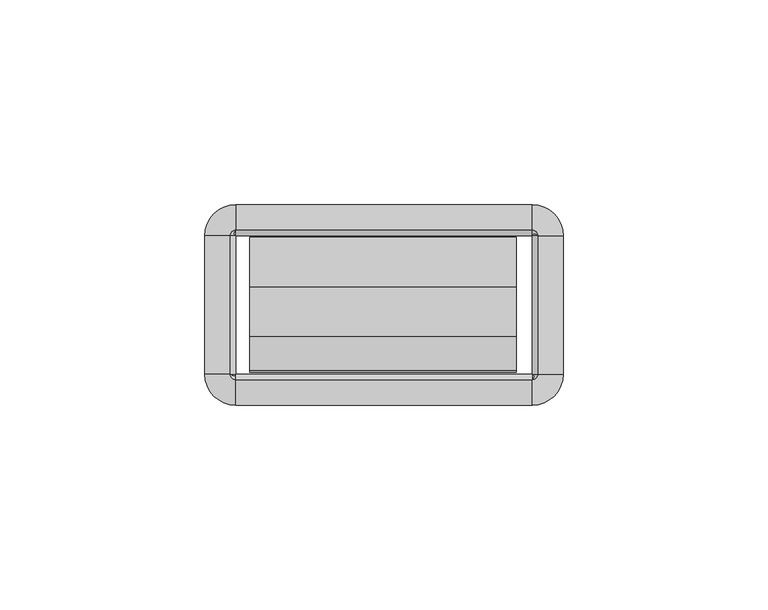
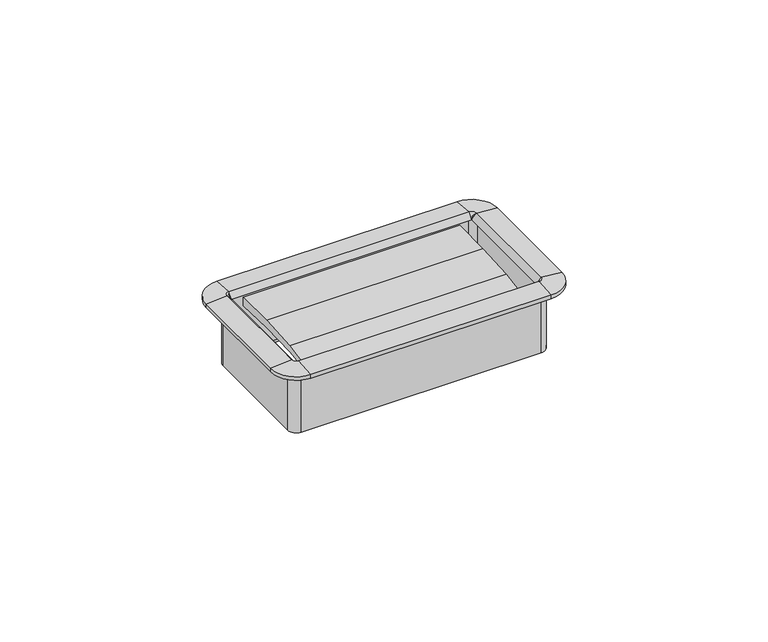
"""IFC4 building model written with IfcOpenShell, lengths in millimetres: furniture geometry."""

from ifc_helpers import new_model, si_unit, frame, origin, place, context, project, spatial, polyline, circle_curve, outline, extrude, source, transform, mapped, element, save
from ifc_brep_helpers import plane_surface, cylinder_surface, revolved_surface, advanced_brep


def furniture_7e427e64(model_context):
    return source(origin(), model_context, "Body", "SolidModel", [
        extrude(outline(polyline([(-27.4015977, 720.2093463), (-35.841251, 719.1457762), (-35.4230807, 720.5237243), (-27.1272776, 722.0627401), (-15.0207956, 722.8563076), (-2.8884162, 722.9014028), (-2.9633248, 720.1432515), (-15.1814712, 720.5422355), (-27.4015977, 720.2093463)])), frame((-32.8496732, 0.0, 0.0), z_axis=(1.0, 0.0, 0.0), x_axis=(0.0, 1.0, 0.0)), (0.0, 0.0, 1.0), 65.1763996),
        advanced_brep(
        [(37.8602578, -2.54, 723.138), (36.1704551, -0.8501974, 723.138), (36.1704551, -0.8501974, 704.2912), (37.8602578, -2.54, 704.2912), (37.5244377, -2.54, 724.8032454), (36.1704551, -1.1860174, 724.8032454), (36.1704551, -2.5172282, 723.138), (43.7913825, -2.54, 724.281), (36.1704551, 5.0809274, 724.281), (43.7913825, -2.54, 723.138), (36.1704551, 5.0809274, 723.138), (38.7104551, -2.54, 702.8179989), (36.1704551, 0.0, 702.8179989), (36.1704551, 0.0, 723.138), (38.7104551, -2.54, 723.138), (37.8602578, -36.2712, 704.2912), (37.8602578, -36.2712, 723.138), (36.1932269, -36.2712, 723.138), (37.5244377, -36.2712, 724.8032454), (43.7913825, -36.2712, 724.281), (43.7913825, -36.2712, 723.138), (38.7104551, -36.2712, 723.138), (38.7104551, -36.2712, 702.8179989), (36.1704551, -37.9610026, 723.138), (36.1704551, -37.9610026, 704.2912), (36.1704551, -37.6251826, 724.8032454), (36.1704551, -43.8921274, 724.281), (36.1704551, -43.8921274, 723.138), (36.1704551, -38.8112, 702.8179989), (36.1704551, -38.8112, 723.138), (-36.1687428, -37.9610026, 704.2912), (-36.1687428, -37.9610026, 723.138), (-36.1687428, -36.2939718, 723.138), (-36.1687428, -37.6251826, 724.8032454), (-36.1687428, -43.8921274, 724.281), (-36.1687428, -43.8921274, 723.138), (-36.1687428, -38.8112, 723.138), (-36.1687428, -38.8112, 702.8179989), (-37.8585455, -36.2712, 723.138), (-37.8585455, -36.2712, 704.2912), (-37.5227254, -36.2712, 724.8032454), (-43.7896702, -36.2712, 724.281), (-43.7896702, -36.2712, 723.138), (-38.7087428, -36.2712, 702.8179989), (-38.7087428, -36.2712, 723.138), (-37.8585455, -2.54, 704.2912), (-37.8585455, -2.54, 723.138), (-36.1915146, -2.54, 723.138), (-37.5227254, -2.54, 724.8032454), (-43.7896702, -2.54, 724.281), (-43.7896702, -2.54, 723.138), (-38.7087428, -2.54, 723.138), (-38.7087428, -2.54, 702.8179989), (-36.1687428, -0.8501974, 723.138), (-36.1687428, -0.8501974, 704.2912), (-36.1687428, -1.1860174, 724.8032454), (-36.1687428, 5.0809274, 724.281), (-36.1687428, 5.0809274, 723.138), (-36.1687428, 0.0, 702.8179989), (-36.1687428, 0.0, 723.138), (38.6519521, -2.54, 704.2912), (36.1704551, -0.058503, 704.2912), (38.6519521, -36.2712, 704.2912), (36.1704551, -38.752697, 704.2912), (-36.1687428, -38.752697, 704.2912), (-38.6502398, -36.2712, 704.2912), (-38.6502398, -2.54, 704.2912), (-36.1687428, -0.058503, 704.2912)],
        [
            (0, 1, circle_curve(frame((36.1704551, -2.54, 723.138), z_axis=(0.0, 0.0, 1.0), x_axis=(0.0, 1.0, 0.0)), 1.6898026)),
            (1, 2),
            (2, 3, circle_curve(frame((36.1704551, -2.54, 704.2912), z_axis=(0.0, 0.0, -1.0), x_axis=(0.0, 1.0, 0.0)), 1.6898026)),
            (3, 0),
            (4, 5, circle_curve(frame((36.1704551, -2.54, 724.8032454), z_axis=(0.0, 0.0, 1.0), x_axis=(0.0, 1.0, 0.0)), 1.3539826)),
            (5, 6),
            (6, 4),
            (7, 8, circle_curve(frame((36.1704551, -2.54, 724.281), z_axis=(0.0, 0.0, 1.0), x_axis=(0.0, 1.0, 0.0)), 7.6209274)),
            (8, 5),
            (4, 7),
            (9, 10, circle_curve(frame((36.1704551, -2.54, 723.138), z_axis=(0.0, 0.0, 1.0), x_axis=(0.0, 1.0, 0.0)), 7.6209274)),
            (10, 8),
            (7, 9),
            (11, 12, circle_curve(frame((36.1704551, -2.54, 702.8179989), z_axis=(0.0, 0.0, 1.0), x_axis=(0.0, 1.0, 0.0)), 2.54)),
            (12, 13),
            (13, 14, circle_curve(frame((36.1704551, -2.54, 723.138), z_axis=(0.0, 0.0, -1.0), x_axis=(0.0, 1.0, 0.0)), 2.54)),
            (14, 11),
            (3, 15),
            (15, 16),
            (16, 0),
            (6, 17),
            (17, 18),
            (18, 4),
            (18, 19),
            (19, 7),
            (19, 20),
            (20, 9),
            (14, 21),
            (21, 22),
            (22, 11),
            (23, 16, circle_curve(frame((36.1704551, -36.2712, 723.138), z_axis=(0.0, 0.0, 1.0), x_axis=(1.0, 0.0, 0.0)), 1.6898026)),
            (15, 24, circle_curve(frame((36.1704551, -36.2712, 704.2912), z_axis=(0.0, 0.0, -1.0), x_axis=(1.0, 0.0, 0.0)), 1.6898026)),
            (24, 23),
            (25, 18, circle_curve(frame((36.1704551, -36.2712, 724.8032454), z_axis=(0.0, 0.0, 1.0), x_axis=(1.0, 0.0, 0.0)), 1.3539826)),
            (17, 25),
            (26, 19, circle_curve(frame((36.1704551, -36.2712, 724.281), z_axis=(0.0, 0.0, 1.0), x_axis=(1.0, 0.0, 0.0)), 7.6209274)),
            (25, 26),
            (27, 20, circle_curve(frame((36.1704551, -36.2712, 723.138), z_axis=(0.0, 0.0, 1.0), x_axis=(1.0, 0.0, 0.0)), 7.6209274)),
            (26, 27),
            (28, 22, circle_curve(frame((36.1704551, -36.2712, 702.8179989), z_axis=(0.0, 0.0, 1.0), x_axis=(1.0, 0.0, 0.0)), 2.54)),
            (21, 29, circle_curve(frame((36.1704551, -36.2712, 723.138), z_axis=(0.0, 0.0, -1.0), x_axis=(1.0, 0.0, 0.0)), 2.54)),
            (29, 28),
            (24, 30),
            (30, 31),
            (31, 23),
            (17, 32),
            (32, 33),
            (33, 25),
            (33, 34),
            (34, 26),
            (34, 35),
            (35, 27),
            (29, 36),
            (36, 37),
            (37, 28),
            (38, 31, circle_curve(frame((-36.1687428, -36.2712, 723.138), z_axis=(0.0, 0.0, 1.0), x_axis=(0.0, -1.0, 0.0)), 1.6898026)),
            (30, 39, circle_curve(frame((-36.1687428, -36.2712, 704.2912), z_axis=(0.0, 0.0, -1.0), x_axis=(0.0, -1.0, 0.0)), 1.6898026)),
            (39, 38),
            (40, 33, circle_curve(frame((-36.1687428, -36.2712, 724.8032454), z_axis=(0.0, 0.0, 1.0), x_axis=(0.0, -1.0, 0.0)), 1.3539826)),
            (32, 40),
            (41, 34, circle_curve(frame((-36.1687428, -36.2712, 724.281), z_axis=(0.0, 0.0, 1.0), x_axis=(0.0, -1.0, 0.0)), 7.6209274)),
            (40, 41),
            (42, 35, circle_curve(frame((-36.1687428, -36.2712, 723.138), z_axis=(0.0, 0.0, 1.0), x_axis=(0.0, -1.0, 0.0)), 7.6209274)),
            (41, 42),
            (43, 37, circle_curve(frame((-36.1687428, -36.2712, 702.8179989), z_axis=(0.0, 0.0, 1.0), x_axis=(0.0, -1.0, 0.0)), 2.54)),
            (36, 44, circle_curve(frame((-36.1687428, -36.2712, 723.138), z_axis=(0.0, 0.0, -1.0), x_axis=(0.0, -1.0, 0.0)), 2.54)),
            (44, 43),
            (39, 45),
            (45, 46),
            (46, 38),
            (32, 47),
            (47, 48),
            (48, 40),
            (48, 49),
            (49, 41),
            (49, 50),
            (50, 42),
            (44, 51),
            (51, 52),
            (52, 43),
            (53, 46, circle_curve(frame((-36.1687428, -2.54, 723.138), z_axis=(0.0, 0.0, 1.0), x_axis=(-1.0, 0.0, 0.0)), 1.6898026)),
            (45, 54, circle_curve(frame((-36.1687428, -2.54, 704.2912), z_axis=(0.0, 0.0, -1.0), x_axis=(-1.0, 0.0, 0.0)), 1.6898026)),
            (54, 53),
            (55, 48, circle_curve(frame((-36.1687428, -2.54, 724.8032454), z_axis=(0.0, 0.0, 1.0), x_axis=(-1.0, 0.0, 0.0)), 1.3539826)),
            (47, 55),
            (56, 49, circle_curve(frame((-36.1687428, -2.54, 724.281), z_axis=(0.0, 0.0, 1.0), x_axis=(-1.0, 0.0, 0.0)), 7.6209274)),
            (55, 56),
            (57, 50, circle_curve(frame((-36.1687428, -2.54, 723.138), z_axis=(0.0, 0.0, 1.0), x_axis=(-1.0, 0.0, 0.0)), 7.6209274)),
            (56, 57),
            (58, 52, circle_curve(frame((-36.1687428, -2.54, 702.8179989), z_axis=(0.0, 0.0, 1.0), x_axis=(-1.0, 0.0, 0.0)), 2.54)),
            (51, 59, circle_curve(frame((-36.1687428, -2.54, 723.138), z_axis=(0.0, 0.0, -1.0), x_axis=(-1.0, 0.0, 0.0)), 2.54)),
            (59, 58),
            (54, 2),
            (1, 53),
            (6, 47),
            (5, 55),
            (8, 56),
            (10, 57),
            (13, 59),
            (12, 58),
            (60, 61, circle_curve(frame((36.1704551, -2.54, 704.2912), z_axis=(0.0, 0.0, 1.0), x_axis=(0.0, 1.0, 0.0)), 2.481497)),
            (61, 12),
            (11, 60),
            (22, 62),
            (62, 60),
            (63, 62, circle_curve(frame((36.1704551, -36.2712, 704.2912), z_axis=(0.0, 0.0, 1.0), x_axis=(1.0, 0.0, 0.0)), 2.481497)),
            (28, 63),
            (37, 64),
            (64, 63),
            (65, 64, circle_curve(frame((-36.1687428, -36.2712, 704.2912), z_axis=(0.0, 0.0, 1.0), x_axis=(0.0, -1.0, 0.0)), 2.481497)),
            (43, 65),
            (52, 66),
            (66, 65),
            (67, 66, circle_curve(frame((-36.1687428, -2.54, 704.2912), z_axis=(0.0, 0.0, 1.0), x_axis=(-1.0, 0.0, 0.0)), 2.481497)),
            (58, 67),
            (61, 67),
        ],
        [
            revolved_surface(polyline([(36.1704551, -0.8501974000000001, 704.2912), (36.1704551, -0.8501974000000001, 723.138)]), (36.1704551, -2.54, 723.138), (0.0, 0.0, -1.0)),
            revolved_surface(polyline([(36.1704551, -2.5172282, 723.138), (36.1704551, -1.1860174, 724.8032454)]), (36.1704551, -2.54, 723.138), (0.0, 0.0, -1.0)),
            revolved_surface(polyline([(36.1704551, -1.1860174, 724.8032454), (36.1704551, 5.0809274, 724.281)]), (36.1704551, -2.54, 723.138), (0.0, 0.0, -1.0)),
            cylinder_surface(frame((36.1704551, -2.54, 723.138), z_axis=(0.0, 0.0, -1.0), x_axis=(0.0, 1.0, 0.0)), 7.6209274),
            cylinder_surface(frame((36.1704551, -2.54, 723.138), z_axis=(0.0, 0.0, -1.0), x_axis=(0.0, 1.0, 0.0)), 2.54),
            plane_surface(frame((37.8602578, -2.54, 704.2912), z_axis=(-1.0, 0.0, 0.0), x_axis=(0.0, -1.0, 0.0))),
            plane_surface(frame((36.1932269, -2.54, 723.138), z_axis=(-0.7810942622858547, 0.0, 0.6244131272035499), x_axis=(0.0, -1.0, 0.0))),
            plane_surface(frame((37.5244377, -2.54, 724.8032454), z_axis=(0.08304548081379862, 0.0, 0.9965457581648749), x_axis=(0.0, -1.0, 0.0))),
            plane_surface(frame((43.7913825, -2.54, 724.281), z_axis=(1.0, 0.0, 0.0), x_axis=(0.0, -1.0, 0.0))),
            plane_surface(frame((38.7104551, -2.54, 723.138), z_axis=(1.0, 0.0, 0.0), x_axis=(0.0, -1.0, 0.0))),
            revolved_surface(polyline([(37.8602577, -36.2712, 704.2912), (37.8602577, -36.2712, 723.138)]), (36.1704551, -36.2712, 723.138), (0.0, 0.0, -1.0)),
            revolved_surface(polyline([(36.1932269, -36.2712, 723.138), (37.5244377, -36.2712, 724.8032454)]), (36.1704551, -36.2712, 723.138), (0.0, 0.0, -1.0)),
            revolved_surface(polyline([(37.5244377, -36.2712, 724.8032454), (43.7913825, -36.2712, 724.281)]), (36.1704551, -36.2712, 723.138), (0.0, 0.0, -1.0)),
            cylinder_surface(frame((36.1704551, -36.2712, 723.138), z_axis=(0.0, 0.0, -1.0), x_axis=(1.0, 0.0, 0.0)), 7.6209274),
            cylinder_surface(frame((36.1704551, -36.2712, 723.138), z_axis=(0.0, 0.0, -1.0), x_axis=(1.0, 0.0, 0.0)), 2.54),
            plane_surface(frame((36.1704551, -37.9610026, 704.2912), z_axis=(0.0, 1.0, 0.0), x_axis=(-1.0, 0.0, 0.0))),
            plane_surface(frame((36.1704551, -36.2939718, 723.138), z_axis=(0.0, 0.7810942622858565, 0.6244131272035475), x_axis=(-1.0, 0.0, 0.0))),
            plane_surface(frame((36.1704551, -37.6251826, 724.8032454), z_axis=(0.0, -0.08304548081379555, 0.9965457581648751), x_axis=(-1.0, 0.0, 0.0))),
            plane_surface(frame((36.1704551, -43.8921274, 724.281), z_axis=(0.0, -1.0, 0.0), x_axis=(-1.0, 0.0, 0.0))),
            plane_surface(frame((36.1704551, -38.8112, 723.138), z_axis=(0.0, -1.0, 0.0), x_axis=(-1.0, 0.0, 0.0))),
            revolved_surface(polyline([(-36.1687428, -37.9610026, 704.2912), (-36.1687428, -37.9610026, 723.138)]), (-36.1687428, -36.2712, 723.138), (0.0, 0.0, -1.0)),
            revolved_surface(polyline([(-36.1687428, -36.2939718, 723.138), (-36.1687428, -37.6251826, 724.8032454)]), (-36.1687428, -36.2712, 723.138), (0.0, 0.0, -1.0)),
            revolved_surface(polyline([(-36.1687428, -37.6251826, 724.8032454), (-36.1687428, -43.8921274, 724.281)]), (-36.1687428, -36.2712, 723.138), (0.0, 0.0, -1.0)),
            cylinder_surface(frame((-36.1687428, -36.2712, 723.138), z_axis=(0.0, 0.0, -1.0), x_axis=(0.0, -1.0, 0.0)), 7.6209274),
            cylinder_surface(frame((-36.1687428, -36.2712, 723.138), z_axis=(0.0, 0.0, -1.0), x_axis=(0.0, -1.0, 0.0)), 2.54),
            plane_surface(frame((-37.8585455, -36.2712, 704.2912), z_axis=(1.0, 0.0, 0.0), x_axis=(0.0, 1.0, 0.0))),
            plane_surface(frame((-36.1915146, -36.2712, 723.138), z_axis=(0.7810942622858585, 0.0, 0.6244131272035451), x_axis=(0.0, 1.0, 0.0))),
            plane_surface(frame((-37.5227254, -36.2712, 724.8032454), z_axis=(-0.08304548081379248, 0.0, 0.9965457581648753), x_axis=(0.0, 1.0, 0.0))),
            plane_surface(frame((-43.7896702, -36.2712, 724.281), z_axis=(-1.0, 0.0, 0.0), x_axis=(0.0, 1.0, 0.0))),
            plane_surface(frame((-38.7087428, -36.2712, 723.138), z_axis=(-1.0, 0.0, 0.0), x_axis=(0.0, 1.0, 0.0))),
            revolved_surface(polyline([(-37.8585454, -2.54, 704.2912), (-37.8585454, -2.54, 723.138)]), (-36.1687428, -2.54, 723.138), (0.0, 0.0, -1.0)),
            revolved_surface(polyline([(-36.1915146, -2.54, 723.138), (-37.5227254, -2.54, 724.8032454)]), (-36.1687428, -2.54, 723.138), (0.0, 0.0, -1.0)),
            revolved_surface(polyline([(-37.5227254, -2.54, 724.8032454), (-43.7896702, -2.54, 724.281)]), (-36.1687428, -2.54, 723.138), (0.0, 0.0, -1.0)),
            cylinder_surface(frame((-36.1687428, -2.54, 723.138), z_axis=(0.0, 0.0, -1.0), x_axis=(-1.0, 0.0, 0.0)), 7.6209274),
            cylinder_surface(frame((-36.1687428, -2.54, 723.138), z_axis=(0.0, 0.0, -1.0), x_axis=(-1.0, 0.0, 0.0)), 2.54),
            plane_surface(frame((-36.1687428, -0.8501974, 704.2912), z_axis=(0.0, -1.0, 0.0), x_axis=(1.0, 0.0, 0.0))),
            plane_surface(frame((-36.1687428, -0.8501974, 723.138), z_axis=(0.0, 0.0, -1.0), x_axis=(1.0, 0.0, 0.0))),
            plane_surface(frame((-36.1687428, -2.5172282, 723.138), z_axis=(0.0, -0.7810942622858567, 0.6244131272035476), x_axis=(1.0, 0.0, 0.0))),
            plane_surface(frame((-36.1687428, -1.1860174, 724.8032454), z_axis=(0.0, 0.08304548081379555, 0.9965457581648751), x_axis=(1.0, 0.0, 0.0))),
            plane_surface(frame((-36.1687428, 5.0809274, 724.281), z_axis=(0.0, 1.0, 0.0), x_axis=(1.0, 0.0, 0.0))),
            plane_surface(frame((-36.1687428, 5.0809274, 723.138), z_axis=(0.0, 0.0, -1.0), x_axis=(1.0, 0.0, 0.0))),
            plane_surface(frame((-36.1687428, 0.0, 723.138), z_axis=(0.0, 1.0, 0.0), x_axis=(1.0, 0.0, 0.0))),
            revolved_surface(polyline([(36.1704551, 0.0, 702.8179989), (36.1704551, -0.058503, 704.2912)]), (36.1704551, -2.54, 723.138), (0.0, 0.0, -1.0)),
            plane_surface(frame((38.7104551, -2.54, 702.8179989), z_axis=(-0.9992124303949471, 0.0, -0.03968020847000604), x_axis=(0.0, -1.0, 0.0))),
            revolved_surface(polyline([(38.7104551, -36.2712, 702.8179989), (38.6519521, -36.2712, 704.2912)]), (36.1704551, -36.2712, 723.138), (0.0, 0.0, -1.0)),
            plane_surface(frame((36.1704551, -38.8112, 702.8179989), z_axis=(0.0, 0.999212430394947, -0.039680208470009116), x_axis=(-1.0, 0.0, 0.0))),
            revolved_surface(polyline([(-36.1687428, -38.8112, 702.8179989), (-36.1687428, -38.752697, 704.2912)]), (-36.1687428, -36.2712, 723.138), (0.0, 0.0, -1.0)),
            plane_surface(frame((-38.7087428, -36.2712, 702.8179989), z_axis=(0.9992124303949469, 0.0, -0.03968020847001219), x_axis=(0.0, 1.0, 0.0))),
            revolved_surface(polyline([(-38.7087428, -2.54, 702.8179989), (-38.6502398, -2.54, 704.2912)]), (-36.1687428, -2.54, 723.138), (0.0, 0.0, -1.0)),
            plane_surface(frame((-36.1687428, 0.0, 702.8179989), z_axis=(0.0, -0.999212430394947, -0.039680208470009116), x_axis=(1.0, 0.0, 0.0))),
            plane_surface(frame((-36.1687428, -0.058503, 704.2912), z_axis=(0.0, 0.0, -1.0), x_axis=(1.0, 0.0, 0.0))),
        ],
        [
            (0, [[1, 2, 3, 4]]),
            (1, [[5, 6, 7]]),
            (2, [[8, 9, -5, 10]]),
            (3, [[11, 12, -8, 13]]),
            (4, [[14, 15, 16, 17]]),
            (5, [[-4, 18, 19, 20]]),
            (6, [[-7, 21, 22, 23]]),
            (7, [[-10, -23, 24, 25]]),
            (8, [[-13, -25, 26, 27]]),
            (9, [[-17, 28, 29, 30]]),
            (10, [[31, -19, 32, 33]]),
            (11, [[34, -22, 35]]),
            (12, [[36, -24, -34, 37]]),
            (13, [[38, -26, -36, 39]]),
            (14, [[40, -29, 41, 42]]),
            (15, [[-33, 43, 44, 45]]),
            (16, [[-35, 46, 47, 48]]),
            (17, [[-37, -48, 49, 50]]),
            (18, [[-39, -50, 51, 52]]),
            (19, [[-42, 53, 54, 55]]),
            (20, [[56, -44, 57, 58]]),
            (21, [[59, -47, 60]]),
            (22, [[61, -49, -59, 62]]),
            (23, [[63, -51, -61, 64]]),
            (24, [[65, -54, 66, 67]]),
            (25, [[-58, 68, 69, 70]]),
            (26, [[-60, 71, 72, 73]]),
            (27, [[-62, -73, 74, 75]]),
            (28, [[-64, -75, 76, 77]]),
            (29, [[-67, 78, 79, 80]]),
            (30, [[81, -69, 82, 83]]),
            (31, [[84, -72, 85]]),
            (32, [[86, -74, -84, 87]]),
            (33, [[88, -76, -86, 89]]),
            (34, [[90, -79, 91, 92]]),
            (35, [[-83, 93, -2, 94]]),
            (36, [[-70, -81, -94, -1, -20, -31, -45, -56], [95, -71, -46, -21]]),
            (37, [[-85, -95, -6, 96]]),
            (38, [[-87, -96, -9, 97]]),
            (39, [[-89, -97, -12, 98]]),
            (40, [[-77, -88, -98, -11, -27, -38, -52, -63], [99, -91, -78, -66, -53, -41, -28, -16]]),
            (41, [[-92, -99, -15, 100]]),
            (42, [[101, 102, -14, 103]]),
            (43, [[-103, -30, 104, 105]]),
            (44, [[106, -104, -40, 107]]),
            (45, [[-107, -55, 108, 109]]),
            (46, [[110, -108, -65, 111]]),
            (47, [[-111, -80, 112, 113]]),
            (48, [[114, -112, -90, 115]]),
            (49, [[-115, -100, -102, 116]]),
            (50, [[-113, -114, -116, -101, -105, -106, -109, -110], [-93, -82, -68, -57, -43, -32, -18, -3]]),
        ],
    ),
    ])


if __name__ == "__main__":
    model = new_model("IFC4")
    model_context = context("Model", 3, world=origin())
    ifc_project = project(units=[si_unit("LENGTHUNIT", "METRE", prefix="MILLI")], contexts=[model_context])
    site = spatial("IfcSite", under=ifc_project)
    building = spatial("IfcBuilding", under=site)
    placement = place(None, origin())
    furniture_shape = furniture_7e427e64(model_context)
    element("IfcFurniture", 1, at=placement, inside=building, context=model_context, shape_type="MappedRepresentation", body=[
        mapped(furniture_shape, transform((0.0, 0.0, 0.0), x_axis=(1.0, 0.0, 0.0), y_axis=(0.0, 1.0, 0.0), z_axis=(0.0, 0.0, 1.0))),
    ])
    save(model, "model.ifc")
